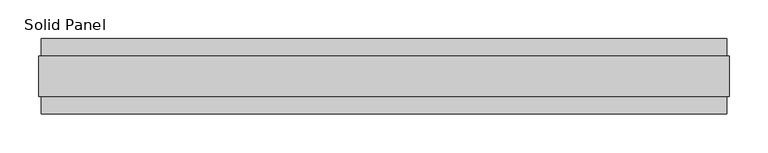
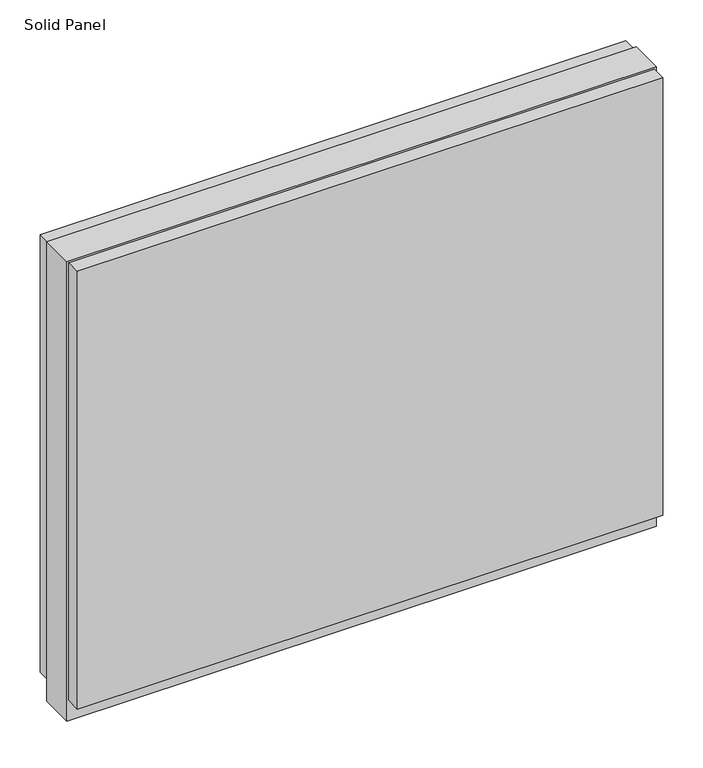
"""IFC4 building model written with IfcOpenShell, lengths in millimetres: plate geometry, Solid Panel."""

from ifc_helpers import new_model, si_unit, frame, origin, origin_with_axes, place, context, project, spatial, polyline, outline, extrude, source, transform, mapped, element, save


def solid_panel_241d24a0(model_context):
    return source(origin(), model_context, "Body", "SweptSolid", [
        extrude(outline(polyline([(441.5028, -48.4531867), (-441.5028, -48.4531867), (-441.5028, -25.9961), (441.5028, -25.9961), (441.5028, -48.4531867)])), frame((0.0, 0.0, 32.004), z_axis=(0.0, 0.0, 1.0), x_axis=(1.0, 0.0, 0.0)), (0.0, 0.0, 1.0), 697.7761),
        extrude(outline(polyline([(441.5028, 25.9977), (-441.5028, 25.9977), (-441.5028, 48.4547867), (441.5028, 48.4547867), (441.5028, 25.9977)])), frame((0.0, 0.0, 32.004), z_axis=(0.0, 0.0, 1.0), x_axis=(1.0, 0.0, 0.0)), (0.0, 0.0, 1.0), 697.7761),
        extrude(outline(polyline([(444.5, -25.9961), (-444.5, -25.9961), (-444.5, 25.9977), (444.5, 25.9977), (444.5, -25.9961)])), origin_with_axes(), (0.0, 0.0, 1.0), 732.79),
    ])


if __name__ == "__main__":
    model = new_model("IFC4")
    model_context = context("Model", 3, world=origin())
    ifc_project = project(units=[si_unit("LENGTHUNIT", "METRE", prefix="MILLI")], contexts=[model_context])
    site = spatial("IfcSite", under=ifc_project)
    building = spatial("IfcBuilding", under=site)
    placement = place(None, origin())
    solid_panel_shape = solid_panel_241d24a0(model_context)
    element("IfcPlate", 1, ObjectType="Solid Panel", at=placement, inside=building, context=model_context, shape_type="MappedRepresentation", body=[
        mapped(solid_panel_shape, transform((0.0, 0.0, 0.0), x_axis=(1.0, 0.0, 0.0), y_axis=(0.0, 1.0, 0.0), z_axis=(0.0, 0.0, 1.0))),
    ])
    save(model, "model.ifc")
